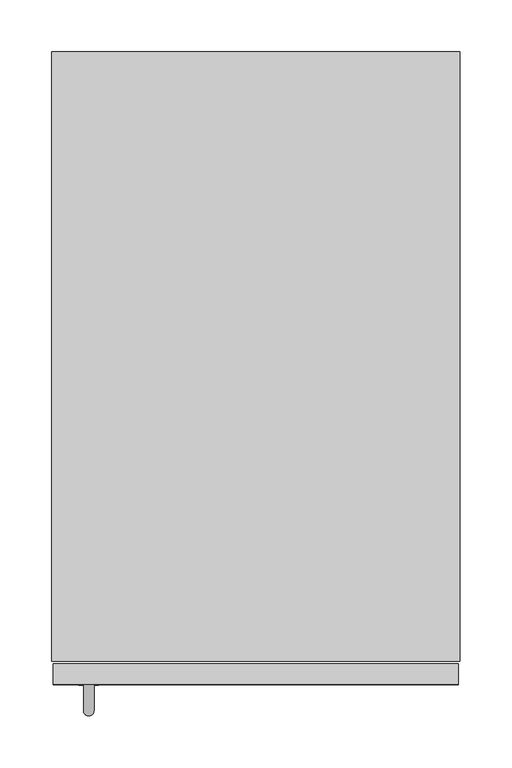
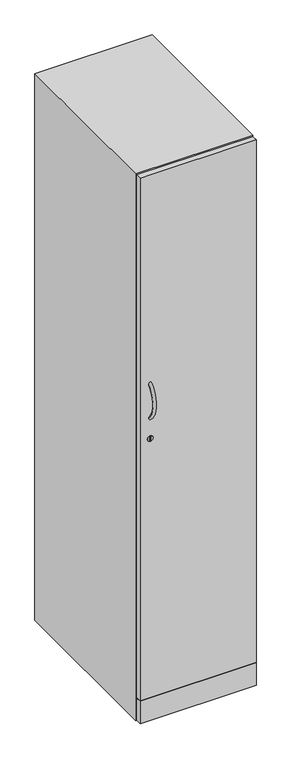
"""IFC4 building model written with IfcOpenShell, lengths in millimetres: furniture geometry."""

from ifc_helpers import new_model, si_unit, point, frame, frame_2d, origin, origin_with_axes, place, context, project, spatial, polyline, circle_curve, ellipse_curve, trimmed, segment, composite_curve, outline, extrude, source, transform, mapped, element, save
from ifc_brep_helpers import plane_surface, revolved_surface, advanced_brep


def furniture_632920df(model_context):
    return source(origin(), model_context, "Body", "SolidModel", [
        extrude(outline(composite_curve([segment(trimmed(circle_curve(frame_2d((1016.3748981, 35.56)), 9.6412755), [point((1006.7336226, 35.56))], [point((1026.0161736, 35.56))], False, "CARTESIAN"), True, "CONTINUOUS"), segment(trimmed(circle_curve(frame_2d((1016.3748981, 35.56)), 9.6412755), [point((1026.0161736, 35.56))], [point((1006.7336226, 35.56))], False, "CARTESIAN"), True, "CONTINUOUS")], self_intersect=False), holes=[polyline([(1023.0694301, 36.7372101), (1008.2812401, 36.7372101), (1008.2812401, 33.9021463), (1023.0694301, 33.9021463), (1023.0694301, 36.7372101)])]), frame((0.0, -610.1588, 0.0), z_axis=(0.0, 1.0, 0.0), x_axis=(0.0, 0.0, 1.0)), (0.0, 0.0, 1.0), 0.5588),
        advanced_brep(
        [(40.64, -605.6699652, 1213.8268671), (30.48, -605.6699652, 1213.8268671), (40.64, -605.6699652, 1086.1165273), (30.48, -605.6699652, 1086.1165273)],
        [
            (0, 1, circle_curve(frame((35.56, -605.6699652, 1213.8268671), z_axis=(0.0, 0.7605648682930162, 0.6492619510786282), x_axis=(-1.0, 0.0, 0.0)), 5.08)),
            (1, 0, circle_curve(frame((35.56, -605.6699652, 1213.8268671), z_axis=(0.0, 0.7605648682930162, 0.6492619510786282), x_axis=(-1.0, 0.0, 0.0)), 5.08)),
            (2, 3, circle_curve(frame((35.56, -605.6699652, 1086.1165273), z_axis=(0.0, 0.7605648682930103, -0.649261951078635), x_axis=(-1.0, 0.0, 0.0)), 5.08)),
            (3, 2, circle_curve(frame((35.56, -605.6699652, 1086.1165273), z_axis=(0.0, 0.7605648682930103, -0.649261951078635), x_axis=(-1.0, 0.0, 0.0)), 5.08)),
            (3, 1, circle_curve(frame((30.48, -551.1595166, 1149.9716972), z_axis=(-1.0, 0.0, 0.0), x_axis=(0.0, -0.6492619510786282, 0.7605648682930162)), 83.9575591)),
            (0, 2, circle_curve(frame((40.64, -551.1595166, 1149.9716972), z_axis=(1.0, 0.0, 0.0), x_axis=(0.0, -0.6492619510786282, 0.7605648682930162)), 83.9575591)),
        ],
        [
            plane_surface(frame((35.56, -602.5649714, 1210.1895845), z_axis=(0.0, 0.7605648682930162, 0.6492619510786282), x_axis=(-1.0, 0.0, 0.0))),
            plane_surface(frame((35.56, -602.5649714, 1089.75381), z_axis=(0.0, 0.7605648682930103, -0.649261951078635), x_axis=(-1.0, 0.0, 0.0))),
            revolved_surface(trimmed(ellipse_curve(frame((35.56, -605.6699652, 1213.8268671), z_axis=(0.0, 0.7605648682930162, 0.6492619510786282), x_axis=(-1.0, 0.0, 0.0)), 5.08, 5.08), [point((40.64, -605.6699652, 1213.8268671))], [point((30.48, -605.6699652, 1213.8268671))], True, "CARTESIAN"), (35.56, -551.1595166, 1149.9716972), (1.0, 0.0, 0.0)),
            revolved_surface(trimmed(ellipse_curve(frame((35.56, -605.6699652, 1213.8268671), z_axis=(0.0, 0.7605648682930162, 0.6492619510786282), x_axis=(-1.0, 0.0, 0.0)), 5.08, 5.08), [point((30.48, -605.6699652, 1213.8268671))], [point((40.64, -605.6699652, 1213.8268671))], True, "CARTESIAN"), (35.56, -551.1595166, 1149.9716972), (1.0, 0.0, 0.0)),
        ],
        [
            (0, [[1, 2]]),
            (1, [[3, 4]]),
            (2, [[5, -1, 6, -4]]),
            (3, [[-6, -2, -5, -3]]),
        ],
    ),
        extrude(outline(polyline([(392.1983475, -589.7118244), (392.1983475, -609.6), (1.5008464, -609.6), (1.5008464, -589.7118244), (392.1983475, -589.7118244)])), frame((0.0, 0.0, 96.5735929), z_axis=(0.0, 0.0, 1.0), x_axis=(1.0, 0.0, 0.0)), (0.0, 0.0, 1.0), 1856.2264449),
        extrude(outline(polyline([(392.1983475, -589.7118244), (392.1983475, -609.6), (1.5008464, -609.6), (1.5008464, -589.7118244), (392.1983475, -589.7118244)])), frame((0.0, 0.0, 15.1892005), z_axis=(0.0, 0.0, 1.0), x_axis=(1.0, 0.0, 0.0)), (0.0, 0.0, 1.0), 78.3846573),
        extrude(outline(polyline([(393.7, 0.0), (393.7, -587.2225868), (0.0, -587.2225868), (0.0, 0.0), (393.7, 0.0)])), frame((0.0, 0.0, 12.7), z_axis=(0.0, 0.0, 1.0), x_axis=(1.0, 0.0, 0.0)), (0.0, 0.0, 1.0), 1943.1),
        extrude(outline(composite_curve([segment(trimmed(circle_curve(frame_2d((35.6716041, -38.3343783)), 16.51), [point((19.1616041, -38.3343783))], [point((52.1816041, -38.3343783))], False, "CARTESIAN"), True, "CONTINUOUS"), segment(trimmed(circle_curve(frame_2d((35.6716041, -38.3343783)), 16.51), [point((52.1816041, -38.3343783))], [point((19.1616041, -38.3343783))], False, "CARTESIAN"), True, "CONTINUOUS")], self_intersect=False)), origin_with_axes(), (0.0, 0.0, 1.0), 12.7),
        extrude(outline(composite_curve([segment(trimmed(circle_curve(frame_2d((358.0281711, -38.3343783)), 16.51), [point((341.5181711, -38.3343783))], [point((374.5381711, -38.3343783))], False, "CARTESIAN"), True, "CONTINUOUS"), segment(trimmed(circle_curve(frame_2d((358.0281711, -38.3343783)), 16.51), [point((374.5381711, -38.3343783))], [point((341.5181711, -38.3343783))], False, "CARTESIAN"), True, "CONTINUOUS")], self_intersect=False)), origin_with_axes(), (0.0, 0.0, 1.0), 12.7),
        extrude(outline(composite_curve([segment(trimmed(circle_curve(frame_2d((35.6716041, -548.8882085)), 16.51), [point((19.1616041, -548.8882085))], [point((52.1816041, -548.8882085))], False, "CARTESIAN"), True, "CONTINUOUS"), segment(trimmed(circle_curve(frame_2d((35.6716041, -548.8882085)), 16.51), [point((52.1816041, -548.8882085))], [point((19.1616041, -548.8882085))], False, "CARTESIAN"), True, "CONTINUOUS")], self_intersect=False)), origin_with_axes(), (0.0, 0.0, 1.0), 12.7),
        extrude(outline(composite_curve([segment(trimmed(circle_curve(frame_2d((358.0281711, -548.8882085)), 16.51), [point((341.5181711, -548.8882085))], [point((374.5381711, -548.8882085))], False, "CARTESIAN"), True, "CONTINUOUS"), segment(trimmed(circle_curve(frame_2d((358.0281711, -548.8882085)), 16.51), [point((374.5381711, -548.8882085))], [point((341.5181711, -548.8882085))], False, "CARTESIAN"), True, "CONTINUOUS")], self_intersect=False)), origin_with_axes(), (0.0, 0.0, 1.0), 12.7),
    ])


if __name__ == "__main__":
    model = new_model("IFC4")
    model_context = context("Model", 3, world=origin())
    ifc_project = project(units=[si_unit("LENGTHUNIT", "METRE", prefix="MILLI")], contexts=[model_context])
    site = spatial("IfcSite", under=ifc_project)
    building = spatial("IfcBuilding", under=site)
    placement = place(None, origin())
    furniture_shape = furniture_632920df(model_context)
    element("IfcFurniture", 1, at=placement, inside=building, context=model_context, shape_type="MappedRepresentation", body=[
        mapped(furniture_shape, transform((0.0, 0.0, 0.0), x_axis=(1.0, 0.0, 0.0), y_axis=(0.0, 1.0, 0.0), z_axis=(0.0, 0.0, 1.0))),
    ])
    save(model, "model.ifc")
